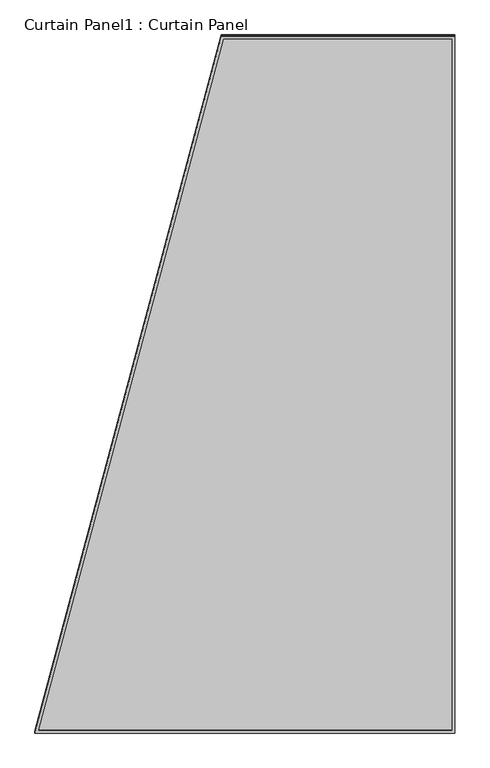
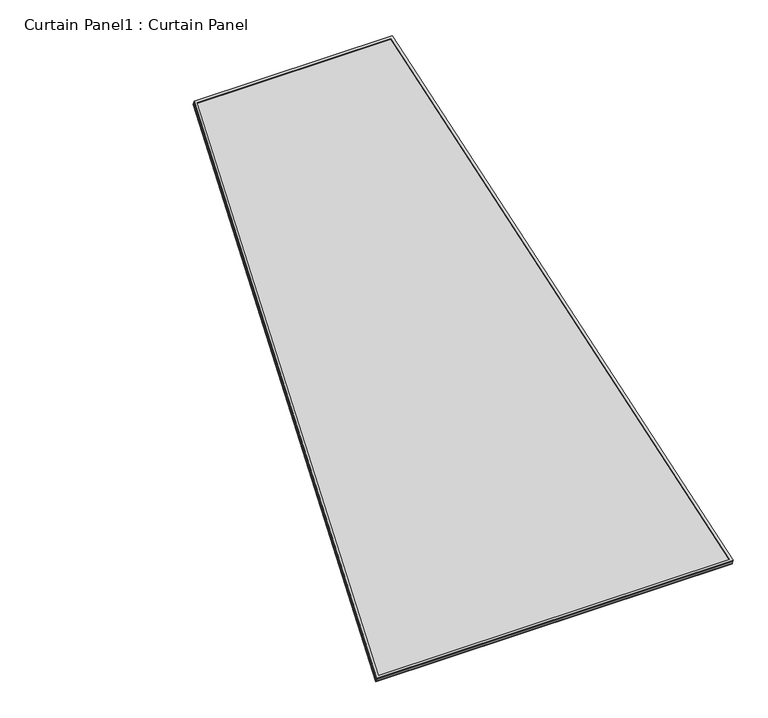
"""IFC4 building model written with IfcOpenShell, lengths in millimetres: plate geometry, Curtain Panel1 : Curtain Panel."""

import ifcopenshell
import ifcopenshell.guid

model = None  # the IFC model being written
_history = None  # IfcOwnerHistory: only IFC2X3 demands one
_inside = {}  # id of a spatial element -> (the spatial element, [elements in it])
_under = {}  # id of a project, library or spatial element -> (it, [spatial elements below it])
_declared = {}  # id of a project -> (the project, [libraries it declares])
_typed = {}  # id of a type object -> (the type object, [elements of that type])
_made_of = {}  # id of a material, layer set ... -> (it, [elements and type objects made of it])


def new_model(schema):
    """Start an empty IFC model of exactly this schema.

    Asked for "IFC4X3", IfcOpenShell would pick the latest addendum, in which some entities
    have other attributes; the version numbers below select the first issue.
    IFC2X3 requires an IfcOwnerHistory on every rooted entity: one is made here for all.
    """
    global model, _history
    if schema == "IFC4X3":
        model = ifcopenshell.file(schema_version=(4, 3, 0, 0))
    else:
        model = ifcopenshell.file(schema=schema)
    _inside.clear()
    _under.clear()
    _declared.clear()
    _typed.clear()
    _made_of.clear()
    _history = None
    if model.schema == "IFC2X3":
        org = make("IfcOrganization", Name="unknown")
        user = make(
            "IfcPersonAndOrganization",
            ThePerson=make("IfcPerson", FamilyName="unknown"),
            TheOrganization=org,
        )
        app = make(
            "IfcApplication",
            ApplicationDeveloper=org,
            Version="unknown",
            ApplicationFullName="unknown",
            ApplicationIdentifier="unknown",
        )
        _history = make(
            "IfcOwnerHistory",
            OwningUser=user,
            OwningApplication=app,
            ChangeAction="ADDED",
            CreationDate=0,
        )
    return model


def make(cls, **values):
    """One entity of the class cls with the attributes given. An attribute that is None is left unset."""
    return model.create_entity(
        cls, **{name: value for name, value in values.items() if value is not None}
    )


def rooted(cls, **values):
    """An entity with a GlobalId (a new one), such as an element, a storey or a relation."""
    return make(cls, GlobalId=ifcopenshell.guid.new(), OwnerHistory=_history, **values)


def si_unit(unit_type, name, prefix=None):
    """IfcSIUnit, for example si_unit("LENGTHUNIT", "METRE", prefix="MILLI")."""
    return make("IfcSIUnit", UnitType=unit_type, Prefix=prefix, Name=name)


def assignment(units):
    """IfcUnitAssignment: the units of a project."""
    return None if units is None else make("IfcUnitAssignment", Units=units)


def point(xyz):
    """IfcCartesianPoint."""
    return None if xyz is None else make("IfcCartesianPoint", Coordinates=xyz)


def direction(xyz):
    """IfcDirection."""
    return None if xyz is None else make("IfcDirection", DirectionRatios=xyz)


def frame(location, z_axis=None, x_axis=None):
    """IfcAxis2Placement3D, a coordinate frame: its origin and axes. An axis left out is left unset."""
    return make(
        "IfcAxis2Placement3D",
        Location=point(location),
        Axis=direction(z_axis),
        RefDirection=direction(x_axis),
    )


def origin():
    """The frame at (0, 0, 0) with its axes left unset."""
    return frame((0.0, 0.0, 0.0))


def place(relative_to, where):
    """IfcLocalPlacement: puts the frame where relative to a parent placement (None: the world)."""
    return make(
        "IfcLocalPlacement", PlacementRelTo=relative_to, RelativePlacement=where
    )


def context(
    kind, dimensions, precision=None, world=None, true_north=None, identifier=None
):
    """IfcGeometricRepresentationContext, for example the 3D "Model" context."""
    return make(
        "IfcGeometricRepresentationContext",
        ContextIdentifier=identifier,
        ContextType=kind,
        CoordinateSpaceDimension=dimensions,
        Precision=precision,
        WorldCoordinateSystem=world,
        TrueNorth=true_north,
    )


def project(units=None, contexts=None):
    """IfcProject with its units and contexts."""
    return rooted(
        "IfcProject",
        Name="project",
        RepresentationContexts=contexts,
        UnitsInContext=assignment(units),
    )


def spatial(cls, under=None, at=None, **own):
    """A site, building, storey or space (cls), placed at a placement, below another one or the project."""
    s = rooted(cls, ObjectPlacement=at, **own)
    if under is not None:
        _under.setdefault(under.id(), (under, []))[1].append(s)
    return s


def polyline(points):
    """IfcPolyline through the points."""
    return make("IfcPolyline", Points=[point(p) for p in points])


def outline(outer, holes=None, kind="AREA"):
    """IfcArbitraryClosedProfileDef: a profile drawn as a closed curve; with holes, ...WithVoids."""
    if holes is None:
        return make("IfcArbitraryClosedProfileDef", ProfileType=kind, OuterCurve=outer)
    return make(
        "IfcArbitraryProfileDefWithVoids",
        ProfileType=kind,
        OuterCurve=outer,
        InnerCurves=holes,
    )


def extrude(swept, where, along, depth):
    """IfcExtrudedAreaSolid: the profile swept, set in the frame where, extruded along a direction by depth."""
    return make(
        "IfcExtrudedAreaSolid",
        SweptArea=swept,
        Position=where,
        ExtrudedDirection=direction(along),
        Depth=depth,
    )


def shape(context_of_items, identifier, shape_type, items):
    """IfcShapeRepresentation: the items that make up one representation, for example the "Body"."""
    return make(
        "IfcShapeRepresentation",
        ContextOfItems=context_of_items,
        RepresentationIdentifier=identifier,
        RepresentationType=shape_type,
        Items=items,
    )


def source(mapping_origin, context_of_items, identifier, shape_type, items):
    """IfcRepresentationMap: a shape defined once, which mapped items show again and again."""
    return make(
        "IfcRepresentationMap",
        MappingOrigin=mapping_origin,
        MappedRepresentation=shape(context_of_items, identifier, shape_type, items),
    )


def transform(
    local_origin,
    x_axis=None,
    y_axis=None,
    z_axis=None,
    scale=None,
    scale2=None,
    scale3=None,
    uniform=True,
):
    """IfcCartesianTransformationOperator3D, or its non-uniform kind. x_axis, y_axis, z_axis: its Axis1, 2, 3."""
    if uniform:
        return make(
            "IfcCartesianTransformationOperator3D",
            Axis1=direction(x_axis),
            Axis2=direction(y_axis),
            LocalOrigin=point(local_origin),
            Scale=scale,
            Axis3=direction(z_axis),
        )
    return make(
        "IfcCartesianTransformationOperator3DnonUniform",
        Axis1=direction(x_axis),
        Axis2=direction(y_axis),
        LocalOrigin=point(local_origin),
        Scale=scale,
        Axis3=direction(z_axis),
        Scale2=scale2,
        Scale3=scale3,
    )


def mapped(mapping_source, mapping_target):
    """IfcMappedItem: shows the shape of a source again, moved by a transform."""
    return make(
        "IfcMappedItem", MappingSource=mapping_source, MappingTarget=mapping_target
    )


def made_of(thing, what):
    """Note that an element or type object is made of a material, layer set ...; save() writes the relation."""
    if what is not None:
        _made_of.setdefault(what.id(), (what, []))[1].append(thing)
    return thing


def element(
    cls,
    number,
    at=None,
    inside=None,
    cuts=None,
    type_object=None,
    material=None,
    context=None,
    identifier="Body",
    shape_type=None,
    held_by="IfcProductDefinitionShape",
    body=None,
    shapes=None,
    **own,
):
    """One element of the class cls, such as IfcWall. Its Tag is "e" and its number.

    at: its placement. inside: the storey or other place that contains it. cuts: it is an
    opening in that element (IfcRelVoidsElement). A single representation is given by context,
    identifier, shape_type and body (its items); several are given by shapes. held_by: the class
    of the entity that holds the representations. save() writes the other relations.
    """
    e = rooted(cls, Tag="e%d" % number, ObjectPlacement=at, **own)
    if body is not None:
        shapes = [shape(context, identifier, shape_type, body)]
    if shapes is not None:
        e.Representation = make(held_by, Representations=shapes)
    if inside is not None:
        _inside.setdefault(inside.id(), (inside, []))[1].append(e)
    if cuts is not None:
        rooted(
            "IfcRelVoidsElement", RelatingBuildingElement=cuts, RelatedOpeningElement=e
        )
    if type_object is not None:
        _typed.setdefault(type_object.id(), (type_object, []))[1].append(e)
    return made_of(e, material)


def aggregate(whole, parts):
    """IfcRelAggregates: a whole, such as a stair, and the parts it consists of."""
    return rooted("IfcRelAggregates", RelatingObject=whole, RelatedObjects=parts)


def save(model, path):
    """Write the relations noted so far, then the file.

    IfcRelAggregates (storeys below a building ...), IfcRelContainedInSpatialStructure (elements
    in a storey), IfcRelDefinesByType, IfcRelAssociatesMaterial and IfcRelDeclares: one each for
    every whole, place, type object, material and project.
    """
    for whole, parts in _under.values():
        aggregate(whole, parts)
    for where, things in _inside.values():
        rooted(
            "IfcRelContainedInSpatialStructure",
            RelatedElements=things,
            RelatingStructure=where,
        )
    for kind, things in _typed.values():
        rooted("IfcRelDefinesByType", RelatedObjects=things, RelatingType=kind)
    for what, things in _made_of.values():
        rooted("IfcRelAssociatesMaterial", RelatedObjects=things, RelatingMaterial=what)
    for by, libraries in _declared.values():
        rooted("IfcRelDeclares", RelatingContext=by, RelatedDefinitions=libraries)
    model.write(path)


def curtain_panel1_curtain_panel_86668b79(model_context):
    return source(origin(), model_context, "Body", "SweptSolid", [
        extrude(outline(polyline([(903.4000632, -2842.2889641), (-722.5275942, -2842.2889641), (0.0, 0.0), (903.4000632, 0.0), (903.4000632, -2842.2889641)]), holes=[polyline([(892.3206749, -11.0793884), (8.6153146, -11.0793884), (-708.2793803, -2831.2095758), (892.3206749, -2831.2095758), (892.3206749, -11.0793884)])]), frame((10510.4396652, -5346.6594567, 889.4609181), z_axis=(0.0, -0.31614582397380586, 0.948710608132914), x_axis=(1.0, 0.0, 0.0)), (0.0, 0.0, 1.0), 4.7900697),
        extrude(outline(polyline([(903.4000632, -2842.288964), (-722.5275942, -2842.288964), (0.0, 0.0), (903.4000632, 0.0), (903.4000632, -2842.288964)]), holes=[polyline([(892.3206749, -11.0793883), (8.6153146, -11.0793883), (-708.2793803, -2831.2095757), (892.3206749, -2831.2095757), (892.3206749, -11.0793883)])]), frame((10510.4396652, -5341.0735756, 872.6984486), z_axis=(0.0, -0.3161458239738058, 0.9487106081329141), x_axis=(1.0, 0.0, 0.0)), (0.0, 0.0, 1.0), 4.7436262),
        extrude(outline(polyline([(12.7, 0.0), (1638.6276574, 0.0), (916.1000632, -2842.288964), (12.7, -2842.288964), (12.7, 0.0)])), frame((11426.5397284, -8039.0829447, -21.3790094), z_axis=(0.0, -0.3161458239738058, 0.948710608132914), x_axis=(-1.0, 0.0, 0.0)), (0.0, 0.0, 1.0), 12.9250595),
    ])


if __name__ == "__main__":
    model = new_model("IFC4")
    model_context = context("Model", 3, world=origin())
    ifc_project = project(units=[si_unit("LENGTHUNIT", "METRE", prefix="MILLI")], contexts=[model_context])
    site = spatial("IfcSite", under=ifc_project)
    building = spatial("IfcBuilding", under=site)
    placement = place(None, origin())
    curtain_panel1_curtain_panel_shape = curtain_panel1_curtain_panel_86668b79(model_context)
    element("IfcPlate", 1, ObjectType="Curtain Panel1 : Curtain Panel", at=placement, inside=building, context=model_context, shape_type="MappedRepresentation", body=[
        mapped(curtain_panel1_curtain_panel_shape, transform((0.0, 0.0, 0.0), x_axis=(1.0, 0.0, 0.0), y_axis=(0.0, 1.0, 0.0), z_axis=(0.0, 0.0, 1.0))),
    ])
    save(model, "model.ifc")
